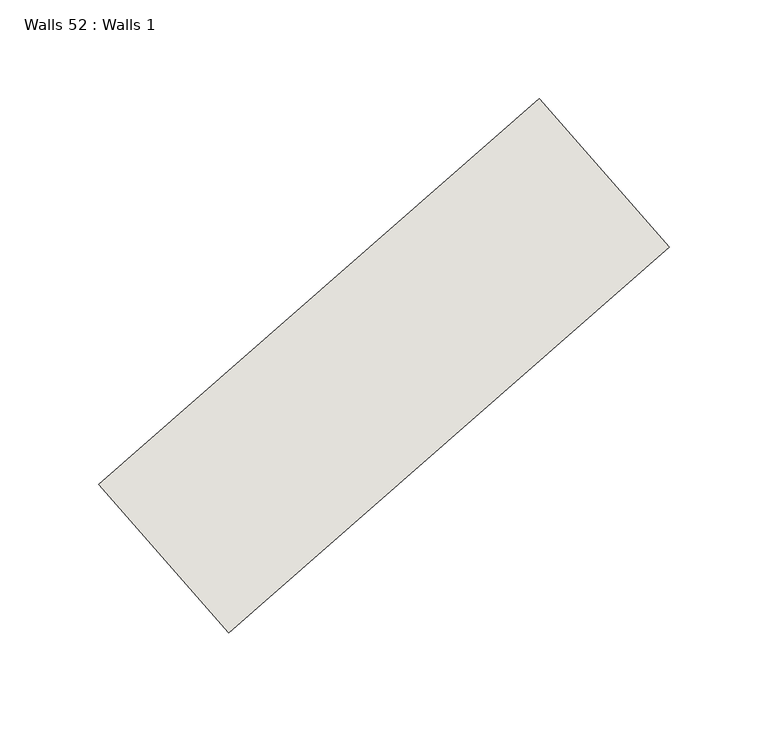
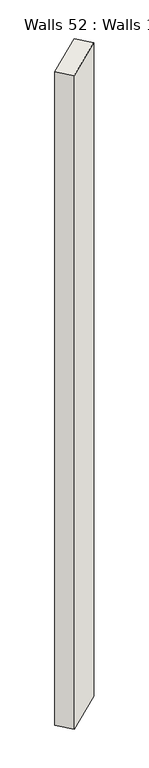
"""IFC4 building model written with IfcOpenShell, lengths in millimetres: wall geometry, Walls 52 : Walls 1."""

import ifcopenshell
import ifcopenshell.guid

model = None  # the IFC model being written
_history = None  # IfcOwnerHistory: only IFC2X3 demands one
_inside = {}  # id of a spatial element -> (the spatial element, [elements in it])
_under = {}  # id of a project, library or spatial element -> (it, [spatial elements below it])
_declared = {}  # id of a project -> (the project, [libraries it declares])
_typed = {}  # id of a type object -> (the type object, [elements of that type])
_made_of = {}  # id of a material, layer set ... -> (it, [elements and type objects made of it])


def new_model(schema):
    """Start an empty IFC model of exactly this schema.

    Asked for "IFC4X3", IfcOpenShell would pick the latest addendum, in which some entities
    have other attributes; the version numbers below select the first issue.
    IFC2X3 requires an IfcOwnerHistory on every rooted entity: one is made here for all.
    """
    global model, _history
    if schema == "IFC4X3":
        model = ifcopenshell.file(schema_version=(4, 3, 0, 0))
    else:
        model = ifcopenshell.file(schema=schema)
    _inside.clear()
    _under.clear()
    _declared.clear()
    _typed.clear()
    _made_of.clear()
    _history = None
    if model.schema == "IFC2X3":
        org = make("IfcOrganization", Name="unknown")
        user = make(
            "IfcPersonAndOrganization",
            ThePerson=make("IfcPerson", FamilyName="unknown"),
            TheOrganization=org,
        )
        app = make(
            "IfcApplication",
            ApplicationDeveloper=org,
            Version="unknown",
            ApplicationFullName="unknown",
            ApplicationIdentifier="unknown",
        )
        _history = make(
            "IfcOwnerHistory",
            OwningUser=user,
            OwningApplication=app,
            ChangeAction="ADDED",
            CreationDate=0,
        )
    return model


def make(cls, **values):
    """One entity of the class cls with the attributes given. An attribute that is None is left unset."""
    return model.create_entity(
        cls, **{name: value for name, value in values.items() if value is not None}
    )


def rooted(cls, **values):
    """An entity with a GlobalId (a new one), such as an element, a storey or a relation."""
    return make(cls, GlobalId=ifcopenshell.guid.new(), OwnerHistory=_history, **values)


def si_unit(unit_type, name, prefix=None):
    """IfcSIUnit, for example si_unit("LENGTHUNIT", "METRE", prefix="MILLI")."""
    return make("IfcSIUnit", UnitType=unit_type, Prefix=prefix, Name=name)


def assignment(units):
    """IfcUnitAssignment: the units of a project."""
    return None if units is None else make("IfcUnitAssignment", Units=units)


def point(xyz):
    """IfcCartesianPoint."""
    return None if xyz is None else make("IfcCartesianPoint", Coordinates=xyz)


def direction(xyz):
    """IfcDirection."""
    return None if xyz is None else make("IfcDirection", DirectionRatios=xyz)


def frame(location, z_axis=None, x_axis=None):
    """IfcAxis2Placement3D, a coordinate frame: its origin and axes. An axis left out is left unset."""
    return make(
        "IfcAxis2Placement3D",
        Location=point(location),
        Axis=direction(z_axis),
        RefDirection=direction(x_axis),
    )


def origin():
    """The frame at (0, 0, 0) with its axes left unset."""
    return frame((0.0, 0.0, 0.0))


def origin_with_axes():
    """The frame at (0, 0, 0) with the z axis (0, 0, 1) and the x axis (1, 0, 0) written out."""
    return frame((0.0, 0.0, 0.0), z_axis=(0.0, 0.0, 1.0), x_axis=(1.0, 0.0, 0.0))


def place(relative_to, where):
    """IfcLocalPlacement: puts the frame where relative to a parent placement (None: the world)."""
    return make(
        "IfcLocalPlacement", PlacementRelTo=relative_to, RelativePlacement=where
    )


def context(
    kind, dimensions, precision=None, world=None, true_north=None, identifier=None
):
    """IfcGeometricRepresentationContext, for example the 3D "Model" context."""
    return make(
        "IfcGeometricRepresentationContext",
        ContextIdentifier=identifier,
        ContextType=kind,
        CoordinateSpaceDimension=dimensions,
        Precision=precision,
        WorldCoordinateSystem=world,
        TrueNorth=true_north,
    )


def project(units=None, contexts=None):
    """IfcProject with its units and contexts."""
    return rooted(
        "IfcProject",
        Name="project",
        RepresentationContexts=contexts,
        UnitsInContext=assignment(units),
    )


def spatial(cls, under=None, at=None, **own):
    """A site, building, storey or space (cls), placed at a placement, below another one or the project."""
    s = rooted(cls, ObjectPlacement=at, **own)
    if under is not None:
        _under.setdefault(under.id(), (under, []))[1].append(s)
    return s


def polyline(points):
    """IfcPolyline through the points."""
    return make("IfcPolyline", Points=[point(p) for p in points])


def outline(outer, holes=None, kind="AREA"):
    """IfcArbitraryClosedProfileDef: a profile drawn as a closed curve; with holes, ...WithVoids."""
    if holes is None:
        return make("IfcArbitraryClosedProfileDef", ProfileType=kind, OuterCurve=outer)
    return make(
        "IfcArbitraryProfileDefWithVoids",
        ProfileType=kind,
        OuterCurve=outer,
        InnerCurves=holes,
    )


def extrude(swept, where, along, depth):
    """IfcExtrudedAreaSolid: the profile swept, set in the frame where, extruded along a direction by depth."""
    return make(
        "IfcExtrudedAreaSolid",
        SweptArea=swept,
        Position=where,
        ExtrudedDirection=direction(along),
        Depth=depth,
    )


def shape(context_of_items, identifier, shape_type, items):
    """IfcShapeRepresentation: the items that make up one representation, for example the "Body"."""
    return make(
        "IfcShapeRepresentation",
        ContextOfItems=context_of_items,
        RepresentationIdentifier=identifier,
        RepresentationType=shape_type,
        Items=items,
    )


def source(mapping_origin, context_of_items, identifier, shape_type, items):
    """IfcRepresentationMap: a shape defined once, which mapped items show again and again."""
    return make(
        "IfcRepresentationMap",
        MappingOrigin=mapping_origin,
        MappedRepresentation=shape(context_of_items, identifier, shape_type, items),
    )


def transform(
    local_origin,
    x_axis=None,
    y_axis=None,
    z_axis=None,
    scale=None,
    scale2=None,
    scale3=None,
    uniform=True,
):
    """IfcCartesianTransformationOperator3D, or its non-uniform kind. x_axis, y_axis, z_axis: its Axis1, 2, 3."""
    if uniform:
        return make(
            "IfcCartesianTransformationOperator3D",
            Axis1=direction(x_axis),
            Axis2=direction(y_axis),
            LocalOrigin=point(local_origin),
            Scale=scale,
            Axis3=direction(z_axis),
        )
    return make(
        "IfcCartesianTransformationOperator3DnonUniform",
        Axis1=direction(x_axis),
        Axis2=direction(y_axis),
        LocalOrigin=point(local_origin),
        Scale=scale,
        Axis3=direction(z_axis),
        Scale2=scale2,
        Scale3=scale3,
    )


def mapped(mapping_source, mapping_target):
    """IfcMappedItem: shows the shape of a source again, moved by a transform."""
    return make(
        "IfcMappedItem", MappingSource=mapping_source, MappingTarget=mapping_target
    )


def made_of(thing, what):
    """Note that an element or type object is made of a material, layer set ...; save() writes the relation."""
    if what is not None:
        _made_of.setdefault(what.id(), (what, []))[1].append(thing)
    return thing


def element(
    cls,
    number,
    at=None,
    inside=None,
    cuts=None,
    type_object=None,
    material=None,
    context=None,
    identifier="Body",
    shape_type=None,
    held_by="IfcProductDefinitionShape",
    body=None,
    shapes=None,
    **own,
):
    """One element of the class cls, such as IfcWall. Its Tag is "e" and its number.

    at: its placement. inside: the storey or other place that contains it. cuts: it is an
    opening in that element (IfcRelVoidsElement). A single representation is given by context,
    identifier, shape_type and body (its items); several are given by shapes. held_by: the class
    of the entity that holds the representations. save() writes the other relations.
    """
    e = rooted(cls, Tag="e%d" % number, ObjectPlacement=at, **own)
    if body is not None:
        shapes = [shape(context, identifier, shape_type, body)]
    if shapes is not None:
        e.Representation = make(held_by, Representations=shapes)
    if inside is not None:
        _inside.setdefault(inside.id(), (inside, []))[1].append(e)
    if cuts is not None:
        rooted(
            "IfcRelVoidsElement", RelatingBuildingElement=cuts, RelatedOpeningElement=e
        )
    if type_object is not None:
        _typed.setdefault(type_object.id(), (type_object, []))[1].append(e)
    return made_of(e, material)


def aggregate(whole, parts):
    """IfcRelAggregates: a whole, such as a stair, and the parts it consists of."""
    return rooted("IfcRelAggregates", RelatingObject=whole, RelatedObjects=parts)


def save(model, path):
    """Write the relations noted so far, then the file.

    IfcRelAggregates (storeys below a building ...), IfcRelContainedInSpatialStructure (elements
    in a storey), IfcRelDefinesByType, IfcRelAssociatesMaterial and IfcRelDeclares: one each for
    every whole, place, type object, material and project.
    """
    for whole, parts in _under.values():
        aggregate(whole, parts)
    for where, things in _inside.values():
        rooted(
            "IfcRelContainedInSpatialStructure",
            RelatedElements=things,
            RelatingStructure=where,
        )
    for kind, things in _typed.values():
        rooted("IfcRelDefinesByType", RelatedObjects=things, RelatingType=kind)
    for what, things in _made_of.values():
        rooted("IfcRelAssociatesMaterial", RelatedObjects=things, RelatingMaterial=what)
    for by, libraries in _declared.values():
        rooted("IfcRelDeclares", RelatingContext=by, RelatedDefinitions=libraries)
    model.write(path)


def walls_52_walls_1_ae97c06a(model_context):
    return source(origin(), model_context, "Body", "SweptSolid", [
        extrude(outline(polyline([(10567.8160283, -1029.3241754), (10791.0358073, -833.8225883), (10856.9214348, -909.0494724), (10633.7016559, -1104.5510595), (10567.8160283, -1029.3241754)])), origin_with_axes(), (0.0, 0.0, 1.0), 3898.8019753),
    ])


if __name__ == "__main__":
    model = new_model("IFC4")
    model_context = context("Model", 3, world=origin())
    ifc_project = project(units=[si_unit("LENGTHUNIT", "METRE", prefix="MILLI")], contexts=[model_context])
    site = spatial("IfcSite", under=ifc_project)
    building = spatial("IfcBuilding", under=site)
    placement = place(None, origin())
    walls_52_walls_1_shape = walls_52_walls_1_ae97c06a(model_context)
    element("IfcWall", 1, ObjectType="Walls 52 : Walls 1", at=placement, inside=building, context=model_context, shape_type="MappedRepresentation", body=[
        mapped(walls_52_walls_1_shape, transform((0.0, 0.0, 0.0), x_axis=(1.0, 0.0, 0.0), y_axis=(0.0, 1.0, 0.0), z_axis=(0.0, 0.0, 1.0))),
    ])
    save(model, "model.ifc")
